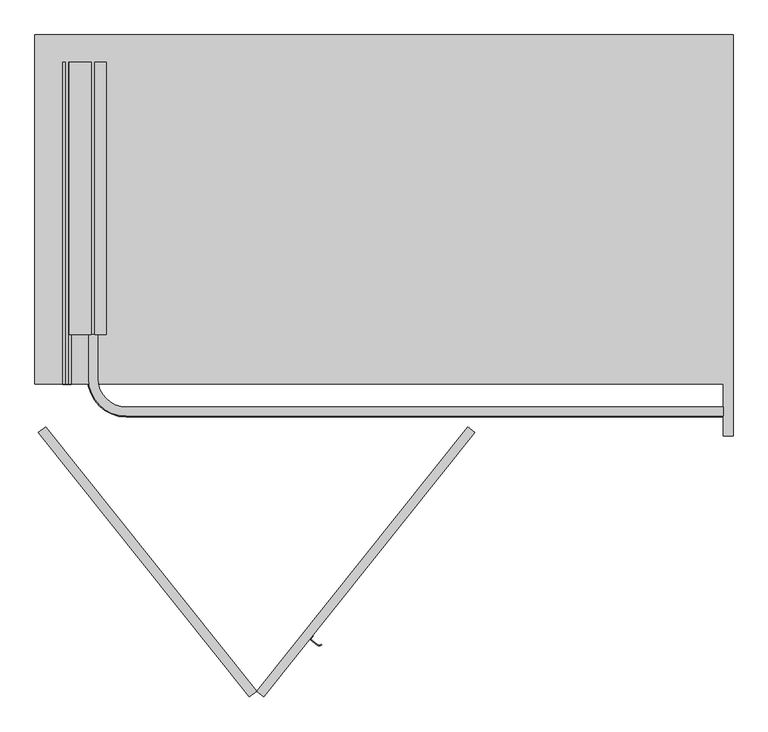
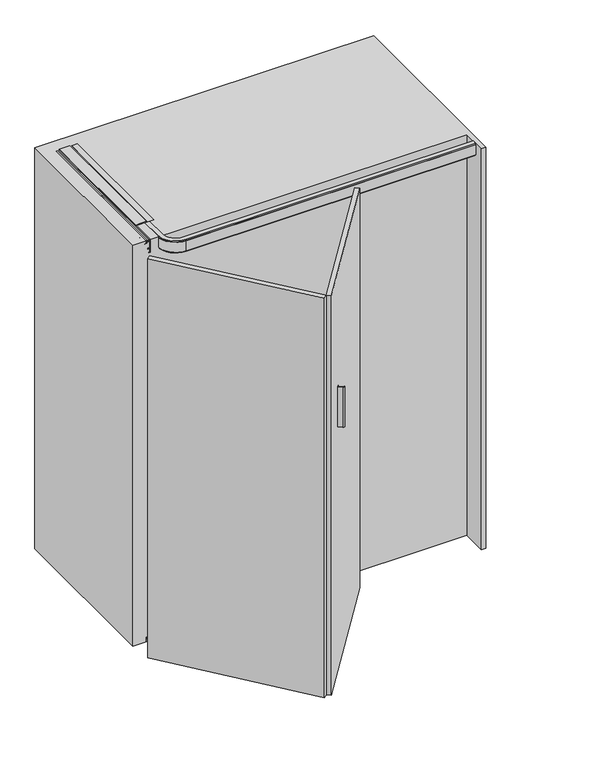
"""IFC4 building model written with IfcOpenShell, lengths in millimetres: furniture geometry."""

from ifc_helpers import new_model, si_unit, point, frame, frame_2d, origin, origin_with_axes, place, context, project, spatial, polyline, circle_curve, trimmed, segment, composite_curve, outline, extrude, faceted_brep, source, transform, mapped, element, save
from ifc_brep_helpers import plane_surface, cylinder_surface, revolved_surface, advanced_brep


def furniture_f569f8c4(model_context):
    return source(origin(), model_context, "Body", "SolidModel", [
        extrude(outline(composite_curve([segment(polyline([(440.4878362, -527.6615304), (453.7936947, -538.2725985)]), True, "CONTINUOUS"), segment(trimmed(circle_curve(frame_2d((458.1489464, -532.8112856)), 6.9852814), [point((453.7936947, -538.2725985))], [point((462.2969475, -538.4316275))], True, "CARTESIAN"), True, "CONTINUOUS"), segment(polyline([(462.2969475, -538.4316275), (463.1876778, -539.6385241)]), True, "CONTINUOUS"), segment(trimmed(circle_curve(frame_2d((458.1489464, -532.8112856)), 8.4852814), [point((463.1876778, -539.6385241))], [point((452.85846, -539.4453457))], False, "CARTESIAN"), True, "CONTINUOUS"), segment(polyline([(452.85846, -539.4453457), (438.3798543, -527.8990429), (444.6147523, -520.0807281), (445.7874995, -521.0159628), (440.4878362, -527.6615304)]), True, "CONTINUOUS")], self_intersect=False)), frame((0.0, 0.0, 1110.0), z_axis=(0.0, 0.0, 1.0), x_axis=(1.0, 0.0, 0.0)), (0.0, 0.0, 1.0), 180.0),
        extrude(outline(polyline([(1807.9932635, 18.0), (1807.9932635, -6.170682), (1804.7432635, -6.170682), (1804.7432635, -3.85), (1802.2932635, -3.85), (1802.2932635, -15.85), (1804.7432635, -15.85), (1804.7432635, -13.6), (1810.9932635, -13.6), (1810.9932635, -59.4403391), (1807.0, -56.6442259), (1807.0, -60.2560852), (1801.0432635, -60.2560852), (1801.0432635, -58.0), (1798.7432635, -58.0), (1798.7432635, -70.0), (1801.0432635, -70.0), (1801.0432635, -67.75), (1803.6432635, -67.75), (1803.6432635, -72.0), (1795.3932635, -72.0), (1795.3932635, -67.5), (1792.7432635, -67.5), (1792.7432635, -69.75), (1790.7432635, -69.75), (1790.7432635, -58.25), (1792.7432635, -58.25), (1792.7432635, -60.5), (1795.3932635, -60.5), (1795.3932635, -55.0), (1807.0, -55.0), (1807.0, -20.85), (1752.9932635, -20.85), (1752.9932635, -14.4), (1759.2932635, -8.1), (1760.7932635, -8.1), (1760.7932635, -18.1), (1798.3932635, -18.1), (1798.3932635, -3.85), (1791.8932635, -3.85), (1791.8932635, 0.0), (1804.0042028, 0.0), (1804.0042028, 18.0), (1807.9932635, 18.0)])), frame((0.0, 102.7851791, 0.0), z_axis=(0.0, 1.0, 0.0), x_axis=(0.0, 0.0, 1.0)), (0.0, 0.0, 1.0), 563.2148209),
        advanced_brep(
        [(1294.0, -47.150158, 1791.899902), (1294.0, -47.150158, 1807.0), (1294.0, -66.000134, 1807.0), (1294.0, -66.000134, 1802.2), (1294.0, -68.000134, 1802.2), (1294.0, -68.000134, 1757.8), (1294.0, -66.000134, 1757.8), (1294.0, -66.000134, 1753.0), (1294.0, -61.000134, 1753.0), (1294.0, -61.000134, 1757.8), (1294.0, -55.250134, 1757.8), (1294.0, -55.250134, 1760.8), (1294.0, -65.250134, 1760.8), (1294.0, -65.250134, 1798.4), (1294.0, -51.050134, 1798.4), (1294.0, -51.050134, 1791.899902), (-2.4e-05, 102.7851791, 1791.899902), (-3.9, 102.7851791, 1791.899902), (-3.9, 102.7851791, 1798.4), (-18.1, 102.7851791, 1798.4), (-18.1, 102.7851791, 1760.8), (-8.1, 102.7851791, 1760.8), (-8.1, 102.7851791, 1757.8), (-13.85, 102.7851791, 1757.8), (-13.85, 102.7851791, 1753.0), (-18.85, 102.7851791, 1753.0), (-18.85, 102.7851791, 1757.8), (-20.85, 102.7851791, 1757.8), (-20.85, 102.7851791, 1802.2), (-18.85, 102.7851791, 1802.2), (-18.85, 102.7851791, 1807.0), (-2.4e-05, 102.7851791, 1807.0), (59.150134, -47.150158, 1791.899902), (59.150134, -47.150158, 1807.0), (-2.4e-05, 12.0, 1807.0), (-18.85, 12.0, 1807.0), (59.150134, -66.000134, 1807.0), (59.150134, -66.000134, 1802.2), (-18.85, 12.0, 1802.2), (-20.85, 12.0, 1802.2), (59.150134, -68.000134, 1802.2), (59.150134, -68.000134, 1757.8), (-20.85, 12.0, 1757.8), (-18.85, 12.0, 1757.8), (59.150134, -66.000134, 1757.8), (59.150134, -66.000134, 1753.0), (-18.85, 12.0, 1753.0), (-13.85, 12.0, 1753.0), (59.150134, -61.000134, 1753.0), (59.150134, -61.000134, 1757.8), (-13.85, 12.0, 1757.8), (-8.1, 12.0, 1757.8), (59.150134, -55.250134, 1757.8), (59.150134, -55.250134, 1760.8), (-8.1, 12.0, 1760.8), (-18.1, 12.0, 1760.8), (59.150134, -65.250134, 1760.8), (59.150134, -65.250134, 1798.4), (-18.1, 12.0, 1798.4), (-3.9, 12.0, 1798.4), (59.150134, -51.050134, 1798.4), (59.150134, -51.050134, 1791.899902), (-3.9, 12.0, 1791.899902), (-2.4e-05, 12.0, 1791.899902)],
        [
            (0, 1),
            (1, 2),
            (2, 3),
            (3, 4),
            (4, 5),
            (5, 6),
            (6, 7),
            (7, 8),
            (8, 9),
            (9, 10),
            (10, 11),
            (11, 12),
            (12, 13),
            (13, 14),
            (14, 15),
            (15, 0),
            (16, 17),
            (17, 18),
            (18, 19),
            (19, 20),
            (20, 21),
            (21, 22),
            (22, 23),
            (23, 24),
            (24, 25),
            (25, 26),
            (26, 27),
            (27, 28),
            (28, 29),
            (29, 30),
            (30, 31),
            (31, 16),
            (0, 32),
            (32, 33),
            (33, 1),
            (33, 34, circle_curve(frame((59.150134, 12.0, 1807.0), z_axis=(0.0, 0.0, -1.0), x_axis=(0.0, -1.0, 0.0)), 59.150158)),
            (34, 31),
            (30, 35),
            (35, 36, circle_curve(frame((59.150134, 12.0, 1807.0), z_axis=(0.0, 0.0, 1.0), x_axis=(0.0, -1.0, 0.0)), 78.000134)),
            (36, 2),
            (36, 37),
            (37, 3),
            (37, 38, circle_curve(frame((59.150134, 12.0, 1802.2), z_axis=(0.0, 0.0, -1.0), x_axis=(0.0, -1.0, 0.0)), 78.000134)),
            (38, 29),
            (28, 39),
            (39, 40, circle_curve(frame((59.150134, 12.0, 1802.2), z_axis=(0.0, 0.0, 1.0), x_axis=(0.0, -1.0, 0.0)), 80.000134)),
            (40, 4),
            (40, 41),
            (41, 5),
            (41, 42, circle_curve(frame((59.150134, 12.0, 1757.8), z_axis=(0.0, 0.0, -1.0), x_axis=(0.0, -1.0, 0.0)), 80.000134)),
            (42, 27),
            (26, 43),
            (43, 44, circle_curve(frame((59.150134, 12.0, 1757.8), z_axis=(0.0, 0.0, 1.0), x_axis=(0.0, -1.0, 0.0)), 78.000134)),
            (44, 6),
            (44, 45),
            (45, 7),
            (45, 46, circle_curve(frame((59.150134, 12.0, 1753.0), z_axis=(0.0, 0.0, -1.0), x_axis=(0.0, -1.0, 0.0)), 78.000134)),
            (46, 25),
            (24, 47),
            (47, 48, circle_curve(frame((59.150134, 12.0, 1753.0), z_axis=(0.0, 0.0, 1.0), x_axis=(0.0, -1.0, 0.0)), 73.000134)),
            (48, 8),
            (48, 49),
            (49, 9),
            (49, 50, circle_curve(frame((59.150134, 12.0, 1757.8), z_axis=(0.0, 0.0, -1.0), x_axis=(0.0, -1.0, 0.0)), 73.000134)),
            (50, 23),
            (22, 51),
            (51, 52, circle_curve(frame((59.150134, 12.0, 1757.8), z_axis=(0.0, 0.0, 1.0), x_axis=(0.0, -1.0, 0.0)), 67.250134)),
            (52, 10),
            (52, 53),
            (53, 11),
            (53, 54, circle_curve(frame((59.150134, 12.0, 1760.8), z_axis=(0.0, 0.0, -1.0), x_axis=(0.0, -1.0, 0.0)), 67.250134)),
            (54, 21),
            (20, 55),
            (55, 56, circle_curve(frame((59.150134, 12.0, 1760.8), z_axis=(0.0, 0.0, 1.0), x_axis=(0.0, -1.0, 0.0)), 77.250134)),
            (56, 12),
            (56, 57),
            (57, 13),
            (57, 58, circle_curve(frame((59.150134, 12.0, 1798.4), z_axis=(0.0, 0.0, -1.0), x_axis=(0.0, -1.0, 0.0)), 77.250134)),
            (58, 19),
            (18, 59),
            (59, 60, circle_curve(frame((59.150134, 12.0, 1798.4), z_axis=(0.0, 0.0, 1.0), x_axis=(0.0, -1.0, 0.0)), 63.050134)),
            (60, 14),
            (60, 61),
            (61, 15),
            (61, 62, circle_curve(frame((59.150134, 12.0, 1791.899902), z_axis=(0.0, 0.0, -1.0), x_axis=(0.0, -1.0, 0.0)), 63.050134)),
            (62, 17),
            (16, 63),
            (63, 32, circle_curve(frame((59.150134, 12.0, 1791.899902), z_axis=(0.0, 0.0, 1.0), x_axis=(0.0, -1.0, 0.0)), 59.150158)),
            (63, 34),
            (35, 38),
            (39, 42),
            (43, 46),
            (47, 50),
            (51, 54),
            (55, 58),
            (59, 62),
        ],
        [
            plane_surface(frame((1294.0, -88.0, 1807.0), z_axis=(1.0, 0.0, 0.0), x_axis=(0.0, 0.0, 1.0))),
            plane_surface(frame((-40.849866, 102.7851791, 1807.0), z_axis=(0.0, 1.0, 0.0), x_axis=(0.0, 0.0, 1.0))),
            plane_surface(frame((1294.0, -47.150158, 1791.899902), z_axis=(0.0, 1.0, 0.0), x_axis=(-1.0, 0.0, 0.0))),
            plane_surface(frame((1294.0, -47.150158, 1807.0), z_axis=(0.0, 0.0, 1.0), x_axis=(-1.0, 0.0, 0.0))),
            plane_surface(frame((1294.0, -66.000134, 1807.0), z_axis=(0.0, -1.0, 0.0), x_axis=(-1.0, 0.0, 0.0))),
            plane_surface(frame((1294.0, -66.000134, 1802.2), z_axis=(0.0, 0.0, 1.0), x_axis=(-1.0, 0.0, 0.0))),
            plane_surface(frame((1294.0, -68.000134, 1802.2), z_axis=(0.0, -1.0, 0.0), x_axis=(-1.0, 0.0, 0.0))),
            plane_surface(frame((1294.0, -68.000134, 1757.8), z_axis=(0.0, 0.0, -1.0), x_axis=(-1.0, 0.0, 0.0))),
            plane_surface(frame((1294.0, -66.000134, 1757.8), z_axis=(0.0, -1.0, 0.0), x_axis=(-1.0, 0.0, 0.0))),
            plane_surface(frame((1294.0, -66.000134, 1753.0), z_axis=(0.0, 0.0, -1.0), x_axis=(-1.0, 0.0, 0.0))),
            plane_surface(frame((1294.0, -61.000134, 1753.0), z_axis=(0.0, 1.0, 0.0), x_axis=(-1.0, 0.0, 0.0))),
            plane_surface(frame((1294.0, -61.000134, 1757.8), z_axis=(0.0, 0.0, -1.0), x_axis=(-1.0, 0.0, 0.0))),
            plane_surface(frame((1294.0, -55.250134, 1757.8), z_axis=(0.0, 1.0, 0.0), x_axis=(-1.0, 0.0, 0.0))),
            plane_surface(frame((1294.0, -55.250134, 1760.8), z_axis=(0.0, 0.0, 1.0), x_axis=(-1.0, 0.0, 0.0))),
            plane_surface(frame((1294.0, -65.250134, 1760.8), z_axis=(0.0, 1.0, 0.0), x_axis=(-1.0, 0.0, 0.0))),
            plane_surface(frame((1294.0, -65.250134, 1798.4), z_axis=(0.0, 0.0, -1.0), x_axis=(-1.0, 0.0, 0.0))),
            plane_surface(frame((1294.0, -51.050134, 1798.4), z_axis=(0.0, -1.0, 0.0), x_axis=(-1.0, 0.0, 0.0))),
            plane_surface(frame((1294.0, -51.050134, 1791.899902), z_axis=(0.0, 0.0, -1.0), x_axis=(-1.0, 0.0, 0.0))),
            revolved_surface(polyline([(59.150134, -47.150158, 1791.899902), (59.150134, -47.150158, 1807.0)]), (59.150134, 12.0, 1807.0), (0.0, 0.0, -1.0)),
            cylinder_surface(frame((59.150134, 12.0, 1807.0), z_axis=(0.0, 0.0, -1.0), x_axis=(0.0, -1.0, 0.0)), 78.000134),
            cylinder_surface(frame((59.150134, 12.0, 1807.0), z_axis=(0.0, 0.0, -1.0), x_axis=(0.0, -1.0, 0.0)), 80.000134),
            revolved_surface(polyline([(59.150134, -61.000134, 1753.0), (59.150134, -61.000134, 1757.8)]), (59.150134, 12.0, 1807.0), (0.0, 0.0, -1.0)),
            revolved_surface(polyline([(59.150134, -55.250134, 1757.8), (59.150134, -55.250134, 1760.8)]), (59.150134, 12.0, 1807.0), (0.0, 0.0, -1.0)),
            revolved_surface(polyline([(59.150134, -65.250134, 1760.8), (59.150134, -65.250134, 1798.4)]), (59.150134, 12.0, 1807.0), (0.0, 0.0, -1.0)),
            cylinder_surface(frame((59.150134, 12.0, 1807.0), z_axis=(0.0, 0.0, -1.0), x_axis=(0.0, -1.0, 0.0)), 63.050134),
            plane_surface(frame((-2.4e-05, 12.0, 1791.899902), z_axis=(1.0, 0.0, 0.0), x_axis=(0.0, 1.0, 0.0))),
            plane_surface(frame((-18.85, 12.0, 1807.0), z_axis=(-1.0, 0.0, 0.0), x_axis=(0.0, 1.0, 0.0))),
            plane_surface(frame((-20.85, 12.0, 1802.2), z_axis=(-1.0, 0.0, 0.0), x_axis=(0.0, 1.0, 0.0))),
            plane_surface(frame((-18.85, 12.0, 1757.8), z_axis=(-1.0, 0.0, 0.0), x_axis=(0.0, 1.0, 0.0))),
            plane_surface(frame((-13.85, 12.0, 1753.0), z_axis=(1.0, 0.0, 0.0), x_axis=(0.0, 1.0, 0.0))),
            plane_surface(frame((-8.1, 12.0, 1757.8), z_axis=(1.0, 0.0, 0.0), x_axis=(0.0, 1.0, 0.0))),
            plane_surface(frame((-18.1, 12.0, 1760.8), z_axis=(1.0, 0.0, 0.0), x_axis=(0.0, 1.0, 0.0))),
            plane_surface(frame((-3.9, 12.0, 1798.4), z_axis=(-1.0, 0.0, 0.0), x_axis=(0.0, 1.0, 0.0))),
        ],
        [
            (0, [[1, 2, 3, 4, 5, 6, 7, 8, 9, 10, 11, 12, 13, 14, 15, 16]]),
            (1, [[17, 18, 19, 20, 21, 22, 23, 24, 25, 26, 27, 28, 29, 30, 31, 32]]),
            (2, [[-1, 33, 34, 35]]),
            (3, [[-2, -35, 36, 37, -31, 38, 39, 40]]),
            (4, [[-3, -40, 41, 42]]),
            (5, [[-4, -42, 43, 44, -29, 45, 46, 47]]),
            (6, [[-5, -47, 48, 49]]),
            (7, [[-6, -49, 50, 51, -27, 52, 53, 54]]),
            (8, [[-7, -54, 55, 56]]),
            (9, [[-8, -56, 57, 58, -25, 59, 60, 61]]),
            (10, [[-9, -61, 62, 63]]),
            (11, [[-10, -63, 64, 65, -23, 66, 67, 68]]),
            (12, [[-11, -68, 69, 70]]),
            (13, [[-12, -70, 71, 72, -21, 73, 74, 75]]),
            (14, [[-13, -75, 76, 77]]),
            (15, [[-14, -77, 78, 79, -19, 80, 81, 82]]),
            (16, [[-15, -82, 83, 84]]),
            (17, [[-16, -84, 85, 86, -17, 87, 88, -33]]),
            (18, [[-36, -34, -88, 89]]),
            (19, [[-43, -41, -39, 90]]),
            (20, [[-50, -48, -46, 91]]),
            (19, [[-57, -55, -53, 92]]),
            (21, [[-64, -62, -60, 93]]),
            (22, [[-71, -69, -67, 94]]),
            (23, [[-78, -76, -74, 95]]),
            (24, [[-85, -83, -81, 96]]),
            (25, [[-89, -87, -32, -37]]),
            (26, [[-90, -38, -30, -44]]),
            (27, [[-91, -45, -28, -51]]),
            (28, [[-92, -52, -26, -58]]),
            (29, [[-93, -59, -24, -65]]),
            (30, [[-94, -66, -22, -72]]),
            (31, [[-95, -73, -20, -79]]),
            (32, [[-96, -80, -18, -86]]),
        ],
    ),
        extrude(outline(polyline([(764.8857226, -88.0), (779.7405208, -99.8463062), (343.2976595, -647.128344), (328.4428613, -635.2820377), (764.8857226, -88.0)])), frame((0.0, 0.0, 5.0), z_axis=(0.0, 0.0, 1.0), x_axis=(1.0, 0.0, 0.0)), (0.0, 0.0, 1.0), 1800.0),
        extrude(outline(polyline([(-122.8547982, -99.8463062), (-108.0, -88.0), (328.4428613, -635.2820377), (313.5880631, -647.128344), (-122.8547982, -99.8463062)])), frame((0.0, 0.0, 5.0), z_axis=(0.0, 0.0, 1.0), x_axis=(1.0, 0.0, 0.0)), (0.0, 0.0, 1.0), 1800.0),
        advanced_brep(
        [(-75.6336873, 23.1375322, 1765.724276), (-75.6336873, 23.1375322, 1733.0547299), (-63.4737348, 23.1375322, 1733.0547299), (-63.4737348, 23.1375322, 1761.3495777), (-67.2507667, 23.1375322, 1761.3495777), (-71.625465, 23.1375322, 1765.724276), (-75.6336873, 82.3672808, 1765.724276), (-71.625465, 82.3672808, 1765.724276), (-67.2507667, 82.3672808, 1761.3495777), (-63.4737348, 82.3672808, 1761.3495777), (-63.4737348, 82.3672808, 1733.0547299), (-75.6336873, 82.3672808, 1733.0547299), (-63.4737348, 33.0799821, 1758.673583), (-63.4737348, 39.5123773, 1758.673583), (-63.4737348, 39.5123773, 1754.158508), (-63.4737348, 33.0799821, 1754.158508), (-63.4737348, 26.647587, 1754.158508), (-63.4737348, 26.647587, 1758.673583), (-63.4737348, 72.4549821, 1758.673583), (-63.4737348, 78.8873773, 1758.673583), (-63.4737348, 78.8873773, 1754.158508), (-63.4737348, 72.4549821, 1754.158508), (-63.4737348, 66.022587, 1754.158508), (-63.4737348, 66.022587, 1758.673583), (-57.5, 33.0799821, 1758.673583), (-57.5, 33.0799821, 1754.158508), (-57.5, 72.4549821, 1758.673583), (-57.5, 72.4549821, 1754.158508)],
        [
            (0, 1),
            (1, 2),
            (2, 3),
            (3, 4),
            (4, 5),
            (5, 0),
            (6, 7),
            (7, 8),
            (8, 9),
            (9, 10),
            (10, 11),
            (11, 6),
            (0, 6),
            (11, 1),
            (10, 2),
            (9, 3),
            (12, 13),
            (13, 14),
            (14, 15),
            (15, 16),
            (16, 17),
            (17, 12),
            (18, 19),
            (19, 20),
            (20, 21),
            (21, 22),
            (22, 23),
            (23, 18),
            (8, 4),
            (7, 5),
            (12, 24),
            (24, 13, circle_curve(frame((-63.950003, 33.0799821, 1758.673583), z_axis=(0.0, 0.0, 1.0), x_axis=(1.0, 0.0, 0.0)), 6.450003)),
            (17, 24, circle_curve(frame((-63.950003, 33.0799821, 1758.673583), z_axis=(0.0, 0.0, 1.0), x_axis=(1.0, 0.0, 0.0)), 6.450003)),
            (25, 15),
            (14, 25, circle_curve(frame((-63.950003, 33.0799821, 1754.158508), z_axis=(0.0, 0.0, -1.0), x_axis=(1.0, 0.0, 0.0)), 6.450003)),
            (25, 16, circle_curve(frame((-63.950003, 33.0799821, 1754.158508), z_axis=(0.0, 0.0, -1.0), x_axis=(1.0, 0.0, 0.0)), 6.450003)),
            (24, 25),
            (18, 26),
            (26, 19, circle_curve(frame((-63.950003, 72.4549821, 1758.673583), z_axis=(0.0, 0.0, 1.0), x_axis=(1.0, 0.0, 0.0)), 6.450003)),
            (23, 26, circle_curve(frame((-63.950003, 72.4549821, 1758.673583), z_axis=(0.0, 0.0, 1.0), x_axis=(1.0, 0.0, 0.0)), 6.450003)),
            (27, 21),
            (20, 27, circle_curve(frame((-63.950003, 72.4549821, 1754.158508), z_axis=(0.0, 0.0, -1.0), x_axis=(1.0, 0.0, 0.0)), 6.450003)),
            (27, 22, circle_curve(frame((-63.950003, 72.4549821, 1754.158508), z_axis=(0.0, 0.0, -1.0), x_axis=(1.0, 0.0, 0.0)), 6.450003)),
            (26, 27),
        ],
        [
            plane_surface(frame((-75.6336873, 23.1375322, 1765.724276), z_axis=(0.0, -1.0, 0.0), x_axis=(0.0, 0.0, -1.0))),
            plane_surface(frame((-75.6336873, 82.3672808, 1765.724276), z_axis=(0.0, 1.0, 0.0), x_axis=(0.0, 0.0, 1.0))),
            plane_surface(frame((-75.6336873, 23.1375322, 1765.724276), z_axis=(-1.0, 0.0, 0.0), x_axis=(0.0, 1.0, 0.0))),
            plane_surface(frame((-75.6336873, 23.1375322, 1733.0547299), z_axis=(0.0, 0.0, -1.0), x_axis=(0.0, 1.0, 0.0))),
            plane_surface(frame((-63.4737348, 23.1375322, 1733.0547299), z_axis=(1.0, 0.0, 0.0), x_axis=(0.0, 1.0, 0.0))),
            plane_surface(frame((-63.4737348, 23.1375322, 1761.3495777), z_axis=(0.0, 0.0, 1.0), x_axis=(0.0, 1.0, 0.0))),
            plane_surface(frame((-67.2507667, 23.1375322, 1761.3495777), z_axis=(0.7071067811865492, 0.0, 0.7071067811865459), x_axis=(0.0, 1.0, 0.0))),
            plane_surface(frame((-71.625465, 23.1375322, 1765.724276), z_axis=(0.0, 0.0, 1.0), x_axis=(0.0, 1.0, 0.0))),
            plane_surface(frame((-63.950003, 33.0799821, 1758.673583), z_axis=(0.0, 0.0, 1.0), x_axis=(1.0, 0.0, 0.0))),
            plane_surface(frame((-63.950003, 33.0799821, 1754.158508), z_axis=(0.0, 0.0, -1.0), x_axis=(1.0, 0.0, 0.0))),
            cylinder_surface(frame((-63.950003, 33.0799821, 1759.795738), z_axis=(0.0, 0.0, 1.0), x_axis=(1.0, 0.0, 0.0)), 6.450003),
            plane_surface(frame((-63.950003, 72.4549821, 1758.673583), z_axis=(0.0, 0.0, 1.0), x_axis=(1.0, 0.0, 0.0))),
            plane_surface(frame((-63.950003, 72.4549821, 1754.158508), z_axis=(0.0, 0.0, -1.0), x_axis=(1.0, 0.0, 0.0))),
            cylinder_surface(frame((-63.950003, 72.4549821, 1759.795738), z_axis=(0.0, 0.0, 1.0), x_axis=(1.0, 0.0, 0.0)), 6.450003),
        ],
        [
            (0, [[1, 2, 3, 4, 5, 6]]),
            (1, [[7, 8, 9, 10, 11, 12]]),
            (2, [[-1, 13, -12, 14]]),
            (3, [[-2, -14, -11, 15]]),
            (4, [[-3, -15, -10, 16], [17, 18, 19, 20, 21, 22], [23, 24, 25, 26, 27, 28]]),
            (5, [[-4, -16, -9, 29]]),
            (6, [[-5, -29, -8, 30]]),
            (7, [[-6, -30, -7, -13]]),
            (8, [[31, 32, -17]]),
            (8, [[-31, -22, 33]]),
            (9, [[34, -19, 35]]),
            (9, [[-34, 36, -20]]),
            (10, [[37, -35, -18, -32]]),
            (10, [[-37, -33, -21, -36]]),
            (11, [[38, 39, -23]]),
            (11, [[-38, -28, 40]]),
            (12, [[41, -25, 42]]),
            (12, [[-41, 43, -26]]),
            (13, [[44, -42, -24, -39]]),
            (13, [[-44, -40, -27, -43]]),
        ],
    ),
        advanced_brep(
        [(-67.900202, 72.4549821, 1784.308626), (-67.900202, 72.4549821, 1769.308626), (-67.900202, 72.4549821, 1799.308626), (-66.9872489, 72.4549821, 1769.308626), (-66.9872489, 72.4549821, 1799.308626), (-59.900202, 72.4549821, 1799.308626), (-59.900202, 72.4549821, 1769.308626), (-59.900202, 72.4549821, 1779.2712731), (-59.900202, 72.4549821, 1789.3459789), (-58.400202, 72.4549821, 1780.3215844), (-58.400202, 72.4549821, 1788.2956676), (-58.400202, 72.4549821, 1784.308626), (-60.9142761, 72.4549821, 1799.308626), (-60.9142761, 72.4549821, 1769.308626), (-62.91385, 72.4549821, 1797.3090521), (-62.91385, 72.4549821, 1771.3081999), (-64.9876751, 72.4549821, 1797.3090521), (-64.9876751, 72.4549821, 1771.3081999)],
        [
            (0, 1),
            (1, 2, circle_curve(frame((-67.900202, 72.4549821, 1784.308626), z_axis=(-1.0, 0.0, 0.0), x_axis=(0.0, 0.0, -1.0)), 15.0)),
            (2, 0),
            (2, 1, circle_curve(frame((-67.900202, 72.4549821, 1784.308626), z_axis=(-1.0, 0.0, 0.0), x_axis=(0.0, 0.0, -1.0)), 15.0)),
            (1, 3),
            (3, 4, circle_curve(frame((-66.9872489, 72.4549821, 1784.308626), z_axis=(-1.0, 0.0, 0.0), x_axis=(0.0, 0.0, -1.0)), 15.0)),
            (4, 2),
            (4, 3, circle_curve(frame((-66.9872489, 72.4549821, 1784.308626), z_axis=(-1.0, 0.0, 0.0), x_axis=(0.0, 0.0, -1.0)), 15.0)),
            (5, 6, circle_curve(frame((-59.900202, 72.4549821, 1784.308626), z_axis=(1.0, 0.0, 0.0), x_axis=(0.0, 0.0, -1.0)), 15.0)),
            (6, 7),
            (7, 8, circle_curve(frame((-59.900202, 72.4549821, 1784.308626), z_axis=(-1.0, 0.0, 0.0), x_axis=(0.0, 0.0, -1.0)), 5.0373529)),
            (8, 5),
            (6, 5, circle_curve(frame((-59.900202, 72.4549821, 1784.308626), z_axis=(1.0, 0.0, 0.0), x_axis=(0.0, 0.0, -1.0)), 15.0)),
            (8, 7, circle_curve(frame((-59.900202, 72.4549821, 1784.308626), z_axis=(-1.0, 0.0, 0.0), x_axis=(0.0, 0.0, -1.0)), 5.0373529)),
            (7, 9),
            (9, 10, circle_curve(frame((-58.400202, 72.4549821, 1784.308626), z_axis=(-1.0, 0.0, 0.0), x_axis=(0.0, 0.0, -1.0)), 3.9870416)),
            (10, 8),
            (10, 9, circle_curve(frame((-58.400202, 72.4549821, 1784.308626), z_axis=(-1.0, 0.0, 0.0), x_axis=(0.0, 0.0, -1.0)), 3.9870416)),
            (9, 11),
            (11, 10),
            (12, 13, circle_curve(frame((-60.9142761, 72.4549821, 1784.308626), z_axis=(1.0, 0.0, 0.0), x_axis=(0.0, 0.0, -1.0)), 15.0)),
            (13, 6),
            (5, 12),
            (13, 12, circle_curve(frame((-60.9142761, 72.4549821, 1784.308626), z_axis=(1.0, 0.0, 0.0), x_axis=(0.0, 0.0, -1.0)), 15.0)),
            (14, 15, circle_curve(frame((-62.91385, 72.4549821, 1784.308626), z_axis=(1.0, 0.0, 0.0), x_axis=(0.0, 0.0, -1.0)), 13.0004261)),
            (15, 13),
            (12, 14),
            (15, 14, circle_curve(frame((-62.91385, 72.4549821, 1784.308626), z_axis=(1.0, 0.0, 0.0), x_axis=(0.0, 0.0, -1.0)), 13.0004261)),
            (16, 17, circle_curve(frame((-64.9876751, 72.4549821, 1784.308626), z_axis=(1.0, 0.0, 0.0), x_axis=(0.0, 0.0, -1.0)), 13.0004261)),
            (17, 15),
            (14, 16),
            (17, 16, circle_curve(frame((-64.9876751, 72.4549821, 1784.308626), z_axis=(1.0, 0.0, 0.0), x_axis=(0.0, 0.0, -1.0)), 13.0004261)),
            (3, 17),
            (16, 4),
        ],
        [
            plane_surface(frame((-67.900202, 72.4549821, 1784.308626), z_axis=(-1.0, 0.0, 0.0), x_axis=(0.0, 0.0, -1.0))),
            cylinder_surface(frame((-58.400202, 72.4549821, 1784.308626), z_axis=(-1.0, 0.0, 0.0), x_axis=(0.0, 0.0, -1.0)), 15.0),
            plane_surface(frame((-59.900202, 72.4549821, 1784.308626), z_axis=(1.0, 0.0, 0.0), x_axis=(0.0, 0.0, -1.0))),
            revolved_surface(polyline([(-58.400202, 72.4549821, 1780.3215844), (-59.900202, 72.4549821, 1779.2712731)]), (-58.400202, 72.4549821, 1784.308626), (-1.0, 0.0, 0.0)),
            plane_surface(frame((-58.400202, 72.4549821, 1784.308626), z_axis=(1.0, 0.0, 0.0), x_axis=(0.0, 0.0, -1.0))),
            revolved_surface(polyline([(-60.9142761, 72.4549821, 1769.308626), (-62.91385, 72.4549821, 1771.3081999)]), (-58.400202, 72.4549821, 1784.308626), (-1.0, 0.0, 0.0)),
            cylinder_surface(frame((-58.400202, 72.4549821, 1784.308626), z_axis=(-1.0, 0.0, 0.0), x_axis=(0.0, 0.0, -1.0)), 13.0004261),
            revolved_surface(polyline([(-64.9876751, 72.4549821, 1771.3081999), (-66.9872489, 72.4549821, 1769.308626)]), (-58.400202, 72.4549821, 1784.308626), (-1.0, 0.0, 0.0)),
        ],
        [
            (0, [[1, 2, 3]]),
            (0, [[-3, 4, -1]]),
            (1, [[-2, 5, 6, 7]]),
            (1, [[-4, -7, 8, -5]]),
            (2, [[9, 10, 11, 12]]),
            (2, [[13, -12, 14, -10]]),
            (3, [[-11, 15, 16, 17]]),
            (3, [[-14, -17, 18, -15]]),
            (4, [[-16, 19, 20]]),
            (4, [[-18, -20, -19]]),
            (1, [[21, 22, -9, 23]]),
            (1, [[24, -23, -13, -22]]),
            (5, [[25, 26, -21, 27]]),
            (5, [[28, -27, -24, -26]]),
            (6, [[29, 30, -25, 31]]),
            (6, [[32, -31, -28, -30]]),
            (7, [[-6, 33, -29, 34]]),
            (7, [[-8, -34, -32, -33]]),
        ],
    ),
        extrude(outline(polyline([(-67.4751845, 70.1923392), (-67.4751845, 73.7061401), (-64.9743712, 73.7061401), (-64.9743712, 66.9001293), (-66.8013734, 65.0731271), (-66.8013734, 51.486783), (-64.9743712, 49.6597808), (-64.9743712, 42.7986729), (-67.4751845, 42.7986729), (-67.4751845, 46.3764149), (-68.7451872, 46.3764149), (-70.714577, 48.3458047), (-70.714577, 68.3458047), (-68.8680425, 70.1923392), (-67.4751845, 70.1923392)])), frame((0.0, 0.0, 1714.5347501), z_axis=(0.0, 0.0, 1.0), x_axis=(1.0, 0.0, 0.0)), (0.0, 0.0, 1.0), 18.5199799),
        extrude(outline(polyline([(-67.7993712, 44.5272199), (-73.2501515, 44.5272199), (-73.2501515, 60.9375972), (-67.7993712, 60.9375972), (-67.7993712, 44.5272199)])), frame((0.0, 0.0, 1761.3495777), z_axis=(0.0, 0.0, 1.0), x_axis=(1.0, 0.0, 0.0)), (0.0, 0.0, 1.0), 16.9521965),
        advanced_brep(
        [(-67.900202, 33.0799821, 1784.125), (-67.900202, 33.0799821, 1769.125), (-67.900202, 33.0799821, 1799.125), (-66.9872489, 33.0799821, 1769.125), (-66.9872489, 33.0799821, 1799.125), (-59.900202, 33.0799821, 1799.125), (-59.900202, 33.0799821, 1769.125), (-59.900202, 33.0799821, 1779.0876471), (-59.900202, 33.0799821, 1789.1623529), (-58.400202, 33.0799821, 1780.1379584), (-58.400202, 33.0799821, 1788.1120416), (-58.400202, 33.0799821, 1784.125), (-60.9142761, 33.0799821, 1799.125), (-60.9142761, 33.0799821, 1769.125), (-62.91385, 33.0799821, 1797.1254261), (-62.91385, 33.0799821, 1771.1245739), (-64.9876751, 33.0799821, 1797.1254261), (-64.9876751, 33.0799821, 1771.1245739)],
        [
            (0, 1),
            (1, 2, circle_curve(frame((-67.900202, 33.0799821, 1784.125), z_axis=(-1.0, 0.0, 0.0), x_axis=(0.0, 0.0, -1.0)), 15.0)),
            (2, 0),
            (2, 1, circle_curve(frame((-67.900202, 33.0799821, 1784.125), z_axis=(-1.0, 0.0, 0.0), x_axis=(0.0, 0.0, -1.0)), 15.0)),
            (1, 3),
            (3, 4, circle_curve(frame((-66.9872489, 33.0799821, 1784.125), z_axis=(-1.0, 0.0, 0.0), x_axis=(0.0, 0.0, -1.0)), 15.0)),
            (4, 2),
            (4, 3, circle_curve(frame((-66.9872489, 33.0799821, 1784.125), z_axis=(-1.0, 0.0, 0.0), x_axis=(0.0, 0.0, -1.0)), 15.0)),
            (5, 6, circle_curve(frame((-59.900202, 33.0799821, 1784.125), z_axis=(1.0, 0.0, 0.0), x_axis=(0.0, 0.0, -1.0)), 15.0)),
            (6, 7),
            (7, 8, circle_curve(frame((-59.900202, 33.0799821, 1784.125), z_axis=(-1.0, 0.0, 0.0), x_axis=(0.0, 0.0, -1.0)), 5.0373529)),
            (8, 5),
            (6, 5, circle_curve(frame((-59.900202, 33.0799821, 1784.125), z_axis=(1.0, 0.0, 0.0), x_axis=(0.0, 0.0, -1.0)), 15.0)),
            (8, 7, circle_curve(frame((-59.900202, 33.0799821, 1784.125), z_axis=(-1.0, 0.0, 0.0), x_axis=(0.0, 0.0, -1.0)), 5.0373529)),
            (7, 9),
            (9, 10, circle_curve(frame((-58.400202, 33.0799821, 1784.125), z_axis=(-1.0, 0.0, 0.0), x_axis=(0.0, 0.0, -1.0)), 3.9870416)),
            (10, 8),
            (10, 9, circle_curve(frame((-58.400202, 33.0799821, 1784.125), z_axis=(-1.0, 0.0, 0.0), x_axis=(0.0, 0.0, -1.0)), 3.9870416)),
            (9, 11),
            (11, 10),
            (12, 13, circle_curve(frame((-60.9142761, 33.0799821, 1784.125), z_axis=(1.0, 0.0, 0.0), x_axis=(0.0, 0.0, -1.0)), 15.0)),
            (13, 6),
            (5, 12),
            (13, 12, circle_curve(frame((-60.9142761, 33.0799821, 1784.125), z_axis=(1.0, 0.0, 0.0), x_axis=(0.0, 0.0, -1.0)), 15.0)),
            (14, 15, circle_curve(frame((-62.91385, 33.0799821, 1784.125), z_axis=(1.0, 0.0, 0.0), x_axis=(0.0, 0.0, -1.0)), 13.0004261)),
            (15, 13),
            (12, 14),
            (15, 14, circle_curve(frame((-62.91385, 33.0799821, 1784.125), z_axis=(1.0, 0.0, 0.0), x_axis=(0.0, 0.0, -1.0)), 13.0004261)),
            (16, 17, circle_curve(frame((-64.9876751, 33.0799821, 1784.125), z_axis=(1.0, 0.0, 0.0), x_axis=(0.0, 0.0, -1.0)), 13.0004261)),
            (17, 15),
            (14, 16),
            (17, 16, circle_curve(frame((-64.9876751, 33.0799821, 1784.125), z_axis=(1.0, 0.0, 0.0), x_axis=(0.0, 0.0, -1.0)), 13.0004261)),
            (3, 17),
            (16, 4),
        ],
        [
            plane_surface(frame((-67.900202, 33.0799821, 1784.125), z_axis=(-1.0, 0.0, 0.0), x_axis=(0.0, 0.0, -1.0))),
            cylinder_surface(frame((-58.400202, 33.0799821, 1784.125), z_axis=(-1.0, 0.0, 0.0), x_axis=(0.0, 0.0, -1.0)), 15.0),
            plane_surface(frame((-59.900202, 33.0799821, 1784.125), z_axis=(1.0, 0.0, 0.0), x_axis=(0.0, 0.0, -1.0))),
            revolved_surface(polyline([(-58.400202, 33.0799821, 1780.1379584), (-59.900202, 33.0799821, 1779.0876471)]), (-58.400202, 33.0799821, 1784.125), (-1.0, 0.0, 0.0)),
            plane_surface(frame((-58.400202, 33.0799821, 1784.125), z_axis=(1.0, 0.0, 0.0), x_axis=(0.0, 0.0, -1.0))),
            revolved_surface(polyline([(-60.9142761, 33.0799821, 1769.125), (-62.91385, 33.0799821, 1771.1245739)]), (-58.400202, 33.0799821, 1784.125), (-1.0, 0.0, 0.0)),
            cylinder_surface(frame((-58.400202, 33.0799821, 1784.125), z_axis=(-1.0, 0.0, 0.0), x_axis=(0.0, 0.0, -1.0)), 13.0004261),
            revolved_surface(polyline([(-64.9876751, 33.0799821, 1771.1245739), (-66.9872489, 33.0799821, 1769.125)]), (-58.400202, 33.0799821, 1784.125), (-1.0, 0.0, 0.0)),
        ],
        [
            (0, [[1, 2, 3]]),
            (0, [[-3, 4, -1]]),
            (1, [[-2, 5, 6, 7]]),
            (1, [[-4, -7, 8, -5]]),
            (2, [[9, 10, 11, 12]]),
            (2, [[13, -12, 14, -10]]),
            (3, [[-11, 15, 16, 17]]),
            (3, [[-14, -17, 18, -15]]),
            (4, [[-16, 19, 20]]),
            (4, [[-18, -20, -19]]),
            (1, [[21, 22, -9, 23]]),
            (1, [[24, -23, -13, -22]]),
            (5, [[25, 26, -21, 27]]),
            (5, [[28, -27, -24, -26]]),
            (6, [[29, 30, -25, 31]]),
            (6, [[32, -31, -28, -30]]),
            (7, [[-6, 33, -29, 34]]),
            (7, [[-8, -34, -32, -33]]),
        ],
    ),
        extrude(outline(polyline([(-67.7993712, 18.5522242), (-75.365636, 18.5522242), (-75.365636, 86.9089943), (-67.7993712, 86.9089943), (-67.7993712, 18.5522242)])), frame((0.0, 0.0, 1778.3017742), z_axis=(0.0, 0.0, 1.0), x_axis=(1.0, 0.0, 0.0)), (0.0, 0.0, 1.0), 11.7055952),
        extrude(outline(polyline([(19.0, -72.0), (0.0, -72.0), (0.0, -67.75), (2.25, -67.75), (2.25, -70.0), (4.9, -70.0), (4.9, -58.0), (2.25, -58.0), (2.25, -60.25), (0.0, -60.25), (0.0, -55.0), (58.5663764, -55.0), (59.0913089, -61.0), (56.1547673, -61.0), (56.1547673, -57.5), (40.5, -57.5), (40.5, -61.0), (37.5, -61.0), (37.5, -58.0104888), (7.5, -58.0104888), (7.5, -70.0), (19.0, -70.0), (19.0, -72.0)])), frame((0.0, 0.0, 0.0), z_axis=(0.0, 1.0, 0.0), x_axis=(0.0, 0.0, 1.0)), (0.0, 0.0, 1.0), 666.0),
        extrude(outline(composite_curve([segment(polyline([(1795.0, -70.0), (1799.5, -70.0), (1799.5, -58.0104888), (1768.5, -58.0104888), (1768.5, -61.2084017)]), True, "CONTINUOUS"), segment(trimmed(circle_curve(frame_2d((1767.9551158, -63.95)), 2.7952209), [point((1768.5, -61.2084017))], [point((1769.1, -66.5))], False, "CARTESIAN"), True, "CONTINUOUS"), segment(polyline([(1769.1, -66.5), (1766.0, -66.5), (1766.0, -57.5), (1750.8452327, -57.5), (1750.8452327, -61.0), (1747.9086911, -61.0), (1748.4336236, -55.0), (1807.0, -55.0), (1807.0, -60.25), (1804.75, -60.25), (1804.75, -58.0), (1802.1, -58.0), (1802.1, -70.0), (1804.75, -70.0), (1804.75, -67.75), (1807.0, -67.75), (1807.0, -72.0), (1795.0, -72.0), (1795.0, -70.0)]), True, "CONTINUOUS")], self_intersect=False)), frame((0.0, 0.0, 0.0), z_axis=(0.0, 1.0, 0.0), x_axis=(0.0, 0.0, 1.0)), (0.0, 0.0, 1.0), 666.0),
        faceted_brep([(-70.8313044, 49.5061401, 35.9), (-70.8313044, 73.7061401, 35.9), (-70.8313044, 73.7061401, 23.9), (-70.8313044, 49.5061401, 23.9), (-68.8052444, 73.7061401, 35.9), (-68.8052444, 49.5061401, 35.9), (-68.8052444, 49.5061401, 23.9), (-68.8052444, 73.7061401, 23.9), (-69.2052444, 73.7061401, 23.9), (-69.2052444, 73.7061401, 21.301924), (-69.2052444, 49.5061401, 21.301924), (-69.2052444, 49.5061401, 23.9), (-65.2052444, 86.5061401, 23.9), (-69.2052444, 82.5061401, 23.9), (-69.2052444, 40.5061401, 23.9), (-65.2052444, 36.5061401, 23.9), (-62.8052444, 36.5061401, 23.9), (-58.8052444, 40.5061401, 23.9), (-58.8052444, 82.5254862, 23.9), (-62.7858983, 86.5061401, 23.9), (-58.8052444, 75.0061401, 11.0920874), (-58.8052444, 47.8601898, 11.0920874), (-69.2052444, 47.8601898, 11.0920874), (-69.2052444, 75.0061401, 11.0920874), (-65.2052444, 86.5061401, 16.45), (-69.2052444, 82.5061401, 16.45), (-69.2052444, 47.8601898, 16.45), (-69.2052444, 40.5061401, 16.45), (-69.2052444, 75.0061401, 16.45), (-69.2052444, 69.0061401, 17.2), (-69.2052444, 54.0061401, 17.2), (-69.2052444, 54.0061401, 13.4378021), (-69.2052444, 69.0061401, 13.4378021), (-65.2052444, 36.5061401, 16.45), (-62.8052444, 36.5061401, 16.45), (-58.8052444, 40.5061401, 16.45), (-58.8052444, 47.8601898, 16.45), (-58.8052444, 75.0061401, 16.45), (-58.8052444, 82.5254862, 16.45), (-58.8052444, 54.0061401, 17.2), (-58.8052444, 69.0061401, 17.2), (-58.8052444, 69.0061401, 13.4378021), (-58.8052444, 54.0061401, 13.4378021), (-62.7858983, 86.5061401, 16.45)], [[[0, 1, 2, 3]], [[4, 5, 6, 7]], [[1, 0, 5, 4]], [[1, 4, 7, 8, 9, 2]], [[5, 0, 3, 10, 11, 6]], [[3, 2, 9, 10]], [[12, 13, 8, 7, 6, 11, 14, 15, 16, 17, 18, 19]], [[20, 21, 22, 23]], [[13, 12, 24, 25]], [[23, 22, 26, 27, 14, 11, 10, 9, 8, 13, 25, 28], [29, 30, 31, 32]], [[15, 14, 27, 33]], [[16, 15, 33, 34]], [[17, 16, 34, 35]], [[18, 17, 35, 36, 21, 20, 37, 38], [39, 40, 41, 42]], [[19, 18, 38, 43]], [[12, 19, 43, 24]], [[37, 28, 25, 24, 43, 38]], [[28, 37, 20, 23]], [[29, 40, 39, 30]], [[40, 29, 32, 41]], [[30, 39, 42, 31]], [[26, 36, 35, 34, 33, 27]], [[36, 26, 22, 21]], [[41, 32, 31, 42]]]),
        extrude(outline(composite_curve([segment(trimmed(circle_curve(frame_2d((-64.0052444, 42.1831649)), 5.75), [point((-64.0052444, 47.9331649))], [point((-64.0052444, 36.4331649))], False, "CARTESIAN"), True, "CONTINUOUS"), segment(trimmed(circle_curve(frame_2d((-64.0052444, 42.1831649)), 5.75), [point((-64.0052444, 36.4331649))], [point((-64.0052444, 47.9331649))], False, "CARTESIAN"), True, "CONTINUOUS")], self_intersect=False)), frame((0.0, 0.0, 8.65), z_axis=(0.0, 0.0, 1.0), x_axis=(1.0, 0.0, 0.0)), (0.0, 0.0, 1.0), 7.3),
        extrude(outline(composite_curve([segment(trimmed(circle_curve(frame_2d((-64.0052444, 61.5061401)), 5.75), [point((-64.0052444, 67.2561401))], [point((-64.0052444, 55.7561401))], False, "CARTESIAN"), True, "CONTINUOUS"), segment(trimmed(circle_curve(frame_2d((-64.0052444, 61.5061401)), 5.75), [point((-64.0052444, 55.7561401))], [point((-64.0052444, 67.2561401))], False, "CARTESIAN"), True, "CONTINUOUS")], self_intersect=False)), frame((0.0, 0.0, 13.4378021), z_axis=(0.0, 0.0, 1.0), x_axis=(1.0, 0.0, 0.0)), (0.0, 0.0, 1.0), 3.7621979),
        extrude(outline(composite_curve([segment(trimmed(circle_curve(frame_2d((-64.0052444, 80.7561401)), 5.75), [point((-64.0052444, 86.5061401))], [point((-64.0052444, 75.0061401))], False, "CARTESIAN"), True, "CONTINUOUS"), segment(trimmed(circle_curve(frame_2d((-64.0052444, 80.7561401)), 5.75), [point((-64.0052444, 75.0061401))], [point((-64.0052444, 86.5061401))], False, "CARTESIAN"), True, "CONTINUOUS")], self_intersect=False)), frame((0.0, 0.0, 8.65), z_axis=(0.0, 0.0, 1.0), x_axis=(1.0, 0.0, 0.0)), (0.0, 0.0, 1.0), 7.3),
        extrude(outline(polyline([(-8.4980052, 11.2885509), (-8.4980052, 24.9437823), (-1.5019948, 24.9437823), (-1.5019948, 11.2885509), (-2.9019839, 8.7447793), (-2.9019839, -8.7447793), (-1.5019948, -11.2885509), (-1.5019948, -24.9437823), (-8.4980052, -24.9437823), (-8.4980052, -11.2885509), (-7.0980161, -8.7447793), (-7.0980161, 8.7447793), (-8.4980052, 11.2885509)])), frame((-85.0, 636.0, 265.0), z_axis=(0.0, -0.6424805754175704, 0.766301970642845), x_axis=(1.0, 0.0, 0.0)), (0.0, 0.0, 1.0), 900.0),
        extrude(outline(polyline([(1.5019948, -11.2885509), (2.9019839, -8.7447792), (2.9019839, 8.7447793), (1.5019948, 11.2885508), (1.5019948, 24.9437822), (8.4980052, 24.9437822), (8.4980052, 11.2885508), (7.0980161, 8.7447793), (7.0980161, -8.7447792), (8.4980052, -11.2885509), (8.4980052, -24.9437823), (1.5019948, -24.9437823), (1.5019948, -11.2885509)])), frame((-85.0, 57.7674821, 475.3282264), z_axis=(0.0, 0.6424805754175694, 0.7663019706428459), x_axis=(1.0, 0.0, 0.0)), (0.0, 0.0, 1.0), 900.0),
        extrude(outline(polyline([(-69.6, 76.0), (-61.85, 76.0), (-61.85, 38.0), (-63.85, 36.0), (-66.1, 36.0), (-67.6, 34.5), (-67.6, 28.5720943), (-64.1, 30.5928201), (-64.1, 25.0), (-65.1, 25.0), (-66.1, 26.0), (-69.7999998, 26.0), (-70.99707, 29.2889243), (-76.16538, 27.407813), (-80.2566983, 25.5), (-84.1, 25.5), (-84.1, 23.2), (-81.3, 23.2), (-81.3, 21.5), (-86.6, 21.5), (-86.6, 28.0), (-81.35, 28.0), (-78.35, 31.0), (-78.35, 39.5), (-69.6, 39.5), (-69.6, 44.3), (-67.2, 44.3), (-67.2, 40.8), (-64.6, 40.8), (-64.6, 48.5), (-65.6, 49.5), (-65.6, 63.5), (-64.6, 64.5), (-64.6, 72.2), (-67.2, 72.2), (-67.2, 68.7), (-69.6, 68.7), (-69.6, 76.0)])), frame((0.0, 0.0, 23.9), z_axis=(0.0, 0.0, 1.0), x_axis=(1.0, 0.0, 0.0)), (0.0, 0.0, 1.0), 1708.9704202),
        extrude(outline(polyline([(1294.0, 0.0), (-130.0, 0.0), (-130.0, 723.0), (1314.0, 723.0), (1314.0, -107.0), (1294.0, -107.0), (1294.0, 0.0)])), origin_with_axes(), (0.0, 0.0, 1.0), 1807.0),
    ])


if __name__ == "__main__":
    model = new_model("IFC4")
    model_context = context("Model", 3, world=origin())
    ifc_project = project(units=[si_unit("LENGTHUNIT", "METRE", prefix="MILLI")], contexts=[model_context])
    site = spatial("IfcSite", under=ifc_project)
    building = spatial("IfcBuilding", under=site)
    placement = place(None, origin())
    furniture_shape = furniture_f569f8c4(model_context)
    element("IfcFurniture", 1, at=placement, inside=building, context=model_context, shape_type="MappedRepresentation", body=[
        mapped(furniture_shape, transform((0.0, 0.0, 0.0), x_axis=(1.0, 0.0, 0.0), y_axis=(0.0, 1.0, 0.0), z_axis=(0.0, 0.0, 1.0))),
    ])
    save(model, "model.ifc")
